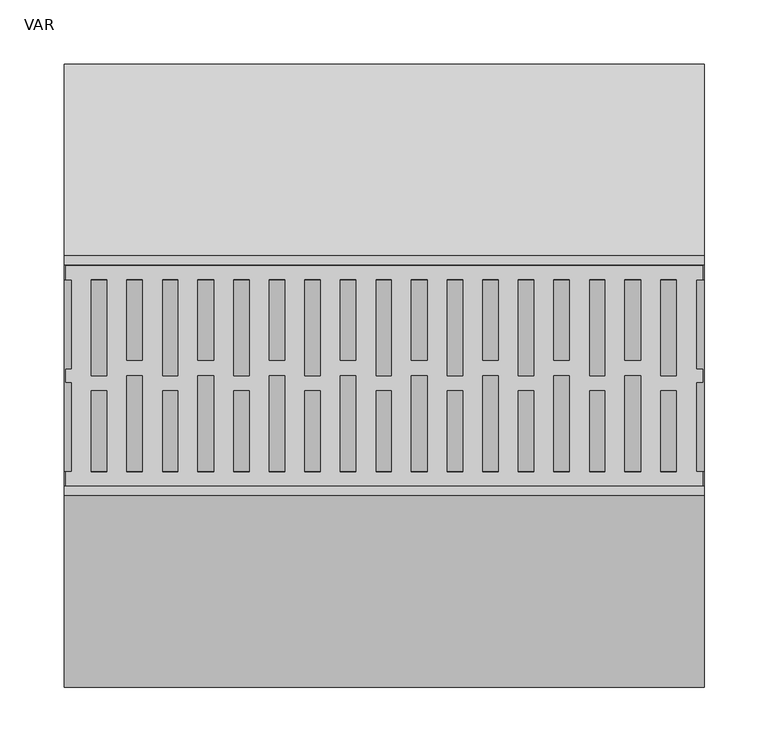
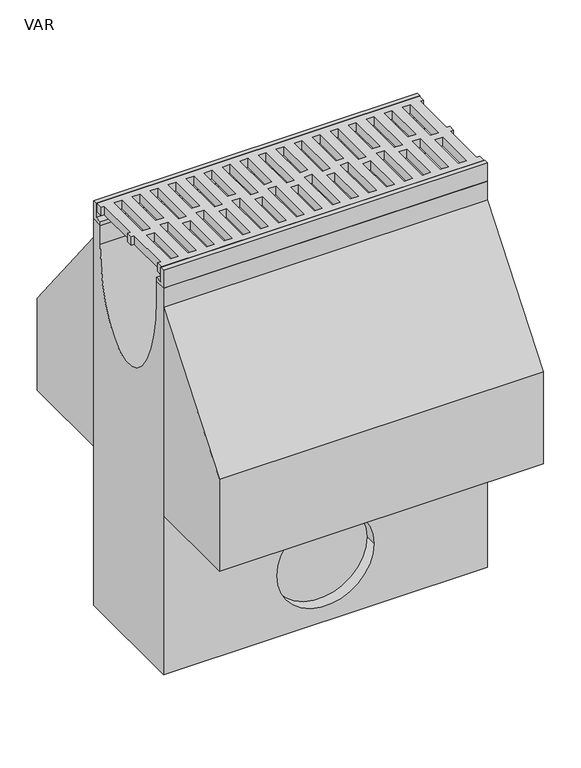
"""IFC4 building model written with IfcOpenShell, lengths in millimetres: flow terminal geometry, VAR."""

from ifc_helpers import new_model, si_unit, point, frame, origin, place, context, project, spatial, polyline, circle_curve, ellipse_curve, trimmed, outline, extrude, source, transform, mapped, element, save
from ifc_brep_helpers import plane_surface, revolved_surface, extruded_surface, advanced_brep


def var_d26da7e0(model_context):
    return source(origin(), model_context, "Body", "SolidModel", [
        extrude(outline(polyline([(499.0, 75.0), (493.7871589, 75.0), (493.7871589, 5.0), (499.0, 5.0), (499.0, -5.0), (493.9604202, -5.0), (493.9604202, -75.0), (499.0, -75.0), (499.0, -86.0), (1.5, -86.0), (1.5, -75.0), (6.0847381, -75.0), (6.0847381, -5.0), (1.5, -5.0), (1.5, 5.0), (6.0847381, 5.0), (6.0847381, 75.0), (1.5, 75.0), (1.5, 86.0), (499.0, 86.0), (499.0, 75.0)]), holes=[polyline([(478.2, 75.0), (466.2429028, 75.0), (466.2429028, 0.0), (478.2, 0.0), (478.2, 75.0)]), polyline([(450.4, 75.0), (438.2305238, 75.0), (438.2305238, 11.948473), (450.4, 11.948473), (450.4, 75.0)]), polyline([(422.6, 75.0), (410.6429028, 75.0), (410.6429028, 0.0), (422.6, 0.0), (422.6, 75.0)]), polyline([(394.8, 75.0), (382.6305238, 75.0), (382.6305238, 11.948473), (394.8, 11.948473), (394.8, 75.0)]), polyline([(367.0, 75.0), (355.0429028, 75.0), (355.0429028, 0.0), (367.0, 0.0), (367.0, 75.0)]), polyline([(339.2, 75.0), (327.0305238, 75.0), (327.0305238, 11.948473), (339.2, 11.948473), (339.2, 75.0)]), polyline([(311.4, 75.0), (299.4429028, 75.0), (299.4429028, 0.0), (311.4, 0.0), (311.4, 75.0)]), polyline([(283.6, 75.0), (271.4305238, 75.0), (271.4305238, 11.948473), (283.6, 11.948473), (283.6, 75.0)]), polyline([(255.8, 75.0), (243.8429028, 75.0), (243.8429028, 0.0), (255.8, 0.0), (255.8, 75.0)]), polyline([(228.0, 75.0), (215.8305238, 75.0), (215.8305238, 11.948473), (228.0, 11.948473), (228.0, 75.0)]), polyline([(200.2, 75.0), (188.2429028, 75.0), (188.2429028, 0.0), (200.2, 0.0), (200.2, 75.0)]), polyline([(172.4, 75.0), (160.2305238, 75.0), (160.2305238, 11.948473), (172.4, 11.948473), (172.4, 75.0)]), polyline([(144.6, 75.0), (132.6429028, 75.0), (132.6429028, 0.0), (144.6, 0.0), (144.6, 75.0)]), polyline([(116.8, 75.0), (104.6305238, 75.0), (104.6305238, 11.948473), (116.8, 11.948473), (116.8, 75.0)]), polyline([(89.0, 75.0), (77.0429028, 75.0), (77.0429028, 0.0), (89.0, 0.0), (89.0, 75.0)]), polyline([(61.2, 75.0), (49.0305238, 75.0), (49.0305238, 11.948473), (61.2, 11.948473), (61.2, 75.0)]), polyline([(33.4, 75.0), (21.4429028, 75.0), (21.4429028, 0.0), (33.4, 0.0), (33.4, 75.0)]), polyline([(49.0305238, -75.0), (61.2, -75.0), (61.2, 0.0), (49.0305238, 0.0), (49.0305238, -75.0)]), polyline([(104.6305238, -75.0), (116.8, -75.0), (116.8, 0.0), (104.6305238, 0.0), (104.6305238, -75.0)]), polyline([(160.2305238, -75.0), (172.4, -75.0), (172.4, 0.0), (160.2305238, 0.0), (160.2305238, -75.0)]), polyline([(215.8305238, -75.0), (228.0, -75.0), (228.0, 0.0), (215.8305238, 0.0), (215.8305238, -75.0)]), polyline([(271.4305238, -75.0), (283.6, -75.0), (283.6, 0.0), (271.4305238, 0.0), (271.4305238, -75.0)]), polyline([(327.0305238, -75.0), (339.2, -75.0), (339.2, 0.0), (327.0305238, 0.0), (327.0305238, -75.0)]), polyline([(382.6305238, -75.0), (394.8, -75.0), (394.8, 0.0), (382.6305238, 0.0), (382.6305238, -75.0)]), polyline([(438.2305238, -75.0), (450.4, -75.0), (450.4, 0.0), (438.2305238, 0.0), (438.2305238, -75.0)]), polyline([(478.2, -75.0), (478.2, -11.948473), (466.2, -11.948473), (466.2, -75.0), (478.2, -75.0)]), polyline([(422.6, -75.0), (422.6, -11.948473), (410.6, -11.948473), (410.6, -75.0), (422.6, -75.0)]), polyline([(367.0, -75.0), (367.0, -11.948473), (355.0, -11.948473), (355.0, -75.0), (367.0, -75.0)]), polyline([(311.4, -75.0), (311.4, -11.948473), (299.4, -11.948473), (299.4, -75.0), (311.4, -75.0)]), polyline([(255.8, -75.0), (255.8, -11.948473), (243.8, -11.948473), (243.8, -75.0), (255.8, -75.0)]), polyline([(200.2, -75.0), (200.2, -11.948473), (188.2, -11.948473), (188.2, -75.0), (200.2, -75.0)]), polyline([(144.6, -75.0), (144.6, -11.948473), (132.6, -11.948473), (132.6, -75.0), (144.6, -75.0)]), polyline([(89.0, -75.0), (89.0, -11.948473), (77.0, -11.948473), (77.0, -75.0), (89.0, -75.0)]), polyline([(33.4, -75.0), (33.4, -11.948473), (21.4, -11.948473), (21.4, -75.0), (33.4, -75.0)])]), frame((0.0, 0.0, -14.0), z_axis=(0.0, 0.0, 1.0), x_axis=(1.0, 0.0, 0.0)), (0.0, 0.0, 1.0), 14.0),
        advanced_brep(
        [(0.0, 75.0, -30.0), (0.0, 93.5, -30.0), (0.0, 93.5, -660.0), (0.0, -93.5, -660.0), (0.0, -93.5, -30.0), (0.0, -75.0, -30.0), (0.0, -75.0, -60.0), (0.0, 75.0, -60.0), (500.0, 75.0, -30.0), (500.0, 75.0, -60.0), (500.0, -75.0, -60.0), (500.0, -75.0, -30.0), (500.0, -93.5, -30.0), (500.0, -93.5, -660.0), (500.0, 93.5, -660.0), (500.0, 93.5, -30.0), (175.0, -93.5, -560.0), (325.0, -93.5, -560.0), (325.0, -75.0, -560.0), (175.0, -75.0, -560.0)],
        [
            (0, 1),
            (1, 2),
            (2, 3),
            (3, 4),
            (4, 5),
            (5, 6),
            (6, 7, ellipse_curve(frame((0.0, 0.0, -60.0), z_axis=(1.0, 0.0, 0.0), x_axis=(0.0, 1.0, 0.0)), 75.0, 150.0)),
            (7, 0),
            (8, 9),
            (9, 10, ellipse_curve(frame((500.0, 0.0, -60.0), z_axis=(-1.0, 0.0, 0.0), x_axis=(0.0, 1.0, 0.0)), 75.0, 150.0)),
            (10, 11),
            (11, 12),
            (12, 13),
            (13, 14),
            (14, 15),
            (15, 8),
            (7, 9),
            (8, 0),
            (6, 10),
            (5, 11),
            (4, 12),
            (3, 13),
            (16, 17, circle_curve(frame((250.0, -93.5, -560.0), z_axis=(0.0, 1.0, 0.0), x_axis=(-1.0, 0.0, 0.0)), 75.0)),
            (17, 16, circle_curve(frame((250.0, -93.5, -560.0), z_axis=(0.0, 1.0, 0.0), x_axis=(-1.0, 0.0, 0.0)), 75.0)),
            (2, 14),
            (1, 15),
            (18, 19, circle_curve(frame((250.0, -75.0, -560.0), z_axis=(0.0, -1.0, 0.0), x_axis=(-1.0, 0.0, 0.0)), 75.0)),
            (19, 18, circle_curve(frame((250.0, -75.0, -560.0), z_axis=(0.0, -1.0, 0.0), x_axis=(-1.0, 0.0, 0.0)), 75.0)),
            (19, 16),
            (17, 18),
        ],
        [
            plane_surface(frame((0.0, 0.0, -195.0), z_axis=(-1.0, 0.0, 0.0), x_axis=(0.0, 0.0, -1.0))),
            plane_surface(frame((500.0, 0.0, -195.0), z_axis=(1.0, 0.0, 0.0), x_axis=(0.0, 0.0, -1.0))),
            plane_surface(frame((500.0, 75.0, -45.0), z_axis=(0.0, -1.0, 0.0), x_axis=(0.0, 0.0, -1.0))),
            extruded_surface(trimmed(ellipse_curve(frame((0.0, 0.0, -60.0), z_axis=(-1.0, 0.0, 0.0), x_axis=(0.0, 1.0, 0.0)), 75.0, 150.0), [point((0.0, 75.0, -60.0))], [point((0.0, -75.0, -60.0))], True, "CARTESIAN"), (500.0, 0.0, 0.0), 500.0),
            plane_surface(frame((500.0, -75.0, -45.0), z_axis=(0.0, 1.0, 0.0), x_axis=(0.0, 0.0, 1.0))),
            plane_surface(frame((500.0, -84.25, -30.0), z_axis=(0.0, 0.0, 1.0), x_axis=(0.0, -1.0, 0.0))),
            plane_surface(frame((500.0, -93.5, -345.0), z_axis=(0.0, -1.0, 0.0), x_axis=(0.0, 0.0, -1.0))),
            plane_surface(frame((500.0, 0.0, -660.0), z_axis=(0.0, 0.0, -1.0), x_axis=(0.0, 1.0, 0.0))),
            plane_surface(frame((500.0, 93.5, -345.0), z_axis=(0.0, 1.0, 0.0), x_axis=(0.0, 0.0, 1.0))),
            plane_surface(frame((500.0, 84.25, -30.0), z_axis=(0.0, 0.0, 1.0), x_axis=(0.0, -1.0, 0.0))),
            plane_surface(frame((175.0, -75.0, -560.0), z_axis=(0.0, -1.0, 0.0), x_axis=(0.0, 0.0, -1.0))),
            revolved_surface(polyline([(175.0, -93.5, -560.0), (175.0, -75.0, -560.0)]), (250.0, -75.0, -560.0), (0.0, -1.0, 0.0)),
        ],
        [
            (0, [[1, 2, 3, 4, 5, 6, 7, 8]]),
            (1, [[9, 10, 11, 12, 13, 14, 15, 16]]),
            (2, [[17, -9, 18, -8]]),
            (3, [[19, -10, -17, -7]]),
            (4, [[20, -11, -19, -6]]),
            (5, [[21, -12, -20, -5]]),
            (6, [[22, -13, -21, -4], [23, 24]]),
            (7, [[25, -14, -22, -3]]),
            (8, [[26, -15, -25, -2]]),
            (9, [[-18, -16, -26, -1]]),
            (10, [[27, 28]]),
            (11, [[29, -24, 30, -28]]),
            (11, [[-30, -23, -29, -27]]),
        ],
    ),
        extrude(outline(polyline([(86.5, 0.0), (93.5, 0.0), (93.5, -30.0), (75.0, -30.0), (75.0, -23.0), (86.5, -23.0), (86.5, 0.0)])), frame((0.0, 0.0, 0.0), z_axis=(1.0, 0.0, 0.0), x_axis=(0.0, 1.0, 0.0)), (0.0, 0.0, 1.0), 500.0),
        extrude(outline(polyline([(-86.5, 0.0), (-86.5, -23.0), (-75.0, -23.0), (-75.0, -30.0), (-93.5, -30.0), (-93.5, 0.0), (-86.5, 0.0)])), frame((0.0, 0.0, 0.0), z_axis=(1.0, 0.0, 0.0), x_axis=(0.0, 1.0, 0.0)), (0.0, 0.0, 1.0), 500.0),
        extrude(outline(polyline([(93.5, -250.0), (93.5, -60.0), (243.5, -250.0), (243.5, -400.0), (-243.5, -400.0), (-243.5, -250.0), (-93.5, -60.0), (-93.5, -250.0), (93.5, -250.0)])), frame((0.0, 0.0, 0.0), z_axis=(1.0, 0.0, 0.0), x_axis=(0.0, 1.0, 0.0)), (0.0, 0.0, 1.0), 500.0),
    ])


if __name__ == "__main__":
    model = new_model("IFC4")
    model_context = context("Model", 3, world=origin())
    ifc_project = project(units=[si_unit("LENGTHUNIT", "METRE", prefix="MILLI")], contexts=[model_context])
    site = spatial("IfcSite", under=ifc_project)
    building = spatial("IfcBuilding", under=site)
    placement = place(None, origin())
    var_shape = var_d26da7e0(model_context)
    element("IfcFlowTerminal", 1, ObjectType="VAR", at=placement, inside=building, context=model_context, shape_type="MappedRepresentation", body=[
        mapped(var_shape, transform((0.0, 0.0, 0.0), x_axis=(1.0, 0.0, 0.0), y_axis=(0.0, 1.0, 0.0), z_axis=(0.0, 0.0, 1.0))),
    ])
    save(model, "model.ifc")
